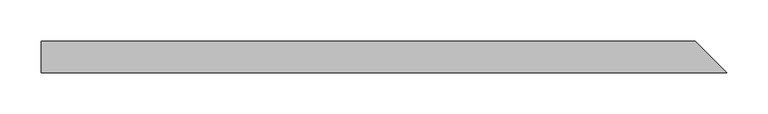
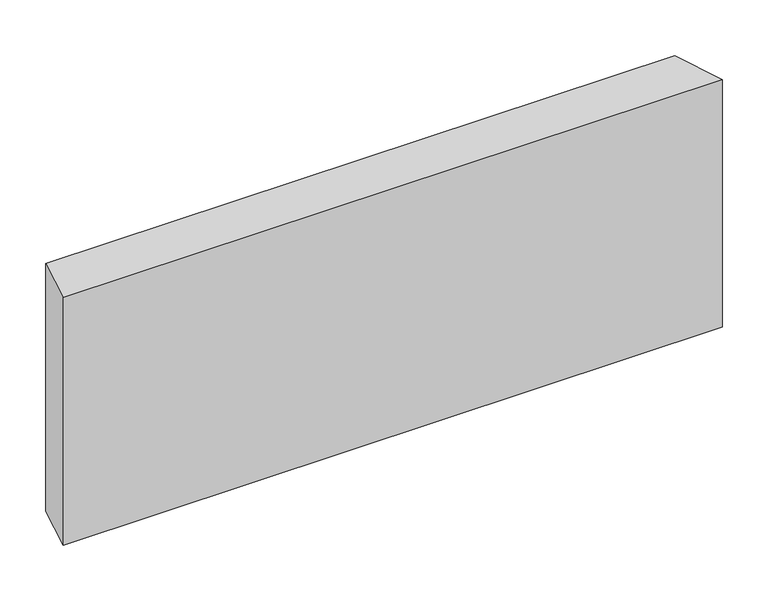
"""IFC4 building model written with IfcOpenShell, lengths in millimetres: beam geometry."""

from ifc_helpers import new_model, si_unit, origin, place, context, project, spatial, faceted_brep, source, transform, mapped, element, save


def beam_44bb7563(model_context):
    return source(origin(), model_context, "Body", "Brep", [
        faceted_brep([(425.6592316, -19.05, 154.2944112), (-406.6092316, -19.05, 154.2944112), (-406.6092316, -19.05, -176.5194112), (425.6592316, -19.05, -176.5194112), (387.5592316, 19.05, 176.5194112), (387.5592316, 19.05, -154.2944112), (-406.6092316, 19.05, -154.2944112), (-406.6092316, 19.05, 176.5194112)], [[[0, 1, 2, 3]], [[4, 5, 6, 7]], [[5, 4, 0, 3]], [[6, 5, 3, 2]], [[7, 6, 2, 1]], [[4, 7, 1, 0]]]),
    ])


if __name__ == "__main__":
    model = new_model("IFC4")
    model_context = context("Model", 3, world=origin())
    ifc_project = project(units=[si_unit("LENGTHUNIT", "METRE", prefix="MILLI")], contexts=[model_context])
    site = spatial("IfcSite", under=ifc_project)
    building = spatial("IfcBuilding", under=site)
    placement = place(None, origin())
    beam_shape = beam_44bb7563(model_context)
    element("IfcBeam", 1, at=placement, inside=building, context=model_context, shape_type="MappedRepresentation", body=[
        mapped(beam_shape, transform((0.0, 0.0, 0.0), x_axis=(1.0, 0.0, 0.0), y_axis=(0.0, 1.0, 0.0), z_axis=(0.0, 0.0, 1.0))),
    ])
    save(model, "model.ifc")
